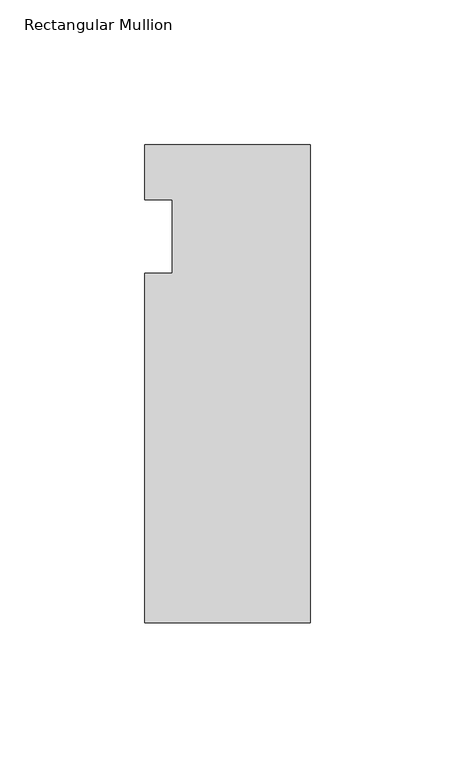
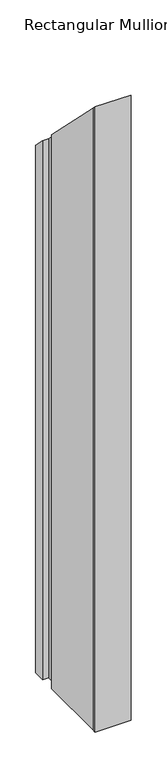
"""IFC4 building model written with IfcOpenShell, lengths in millimetres: member geometry, Rectangular Mullion."""

from ifc_helpers import new_model, si_unit, origin, place, context, project, spatial, faceted_brep, source, transform, mapped, element, save


def rectangular_mullion_90561e32(model_context):
    return source(origin(), model_context, "Body", "Brep", [
        faceted_brep([(-57.15, -146.05, -914.4), (-57.15, -139.7, -914.4), (-57.15, -25.4, -914.4), (-47.6232296, -25.4, -914.4), (-47.6232296, 0.0, -914.4), (-57.15, 0.0, -914.4), (-57.15, 19.05, -914.4), (0.0, 19.05, -914.4), (0.0, -146.05, -914.4), (0.0, -146.05, 146.05), (-57.15, -146.05, 146.05), (0.0, 19.05, -19.05), (-57.15, 19.05, -19.05), (-57.15, 0.0, 0.0), (-47.6232296, 0.0, 0.0), (-47.6232296, -25.4, 25.4), (-57.15, -25.4, 25.4), (-57.15, -139.7, 139.7)], [[[0, 1, 2, 3, 4, 5, 6, 7, 8]], [[9, 10, 0, 8]], [[11, 9, 8, 7]], [[12, 11, 7, 6]], [[13, 12, 6, 5]], [[14, 13, 5, 4]], [[15, 14, 4, 3]], [[16, 15, 3, 2]], [[17, 16, 2, 1]], [[10, 17, 1, 0]], [[10, 9, 11, 12, 13, 14, 15, 16, 17]]]),
    ])


if __name__ == "__main__":
    model = new_model("IFC4")
    model_context = context("Model", 3, world=origin())
    ifc_project = project(units=[si_unit("LENGTHUNIT", "METRE", prefix="MILLI")], contexts=[model_context])
    site = spatial("IfcSite", under=ifc_project)
    building = spatial("IfcBuilding", under=site)
    placement = place(None, origin())
    rectangular_mullion_shape = rectangular_mullion_90561e32(model_context)
    element("IfcMember", 1, ObjectType="Rectangular Mullion", at=placement, inside=building, context=model_context, shape_type="MappedRepresentation", body=[
        mapped(rectangular_mullion_shape, transform((0.0, 0.0, 0.0), x_axis=(1.0, 0.0, 0.0), y_axis=(0.0, 1.0, 0.0), z_axis=(0.0, 0.0, 1.0))),
    ])
    save(model, "model.ifc")
